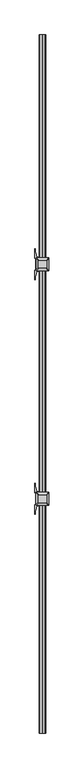
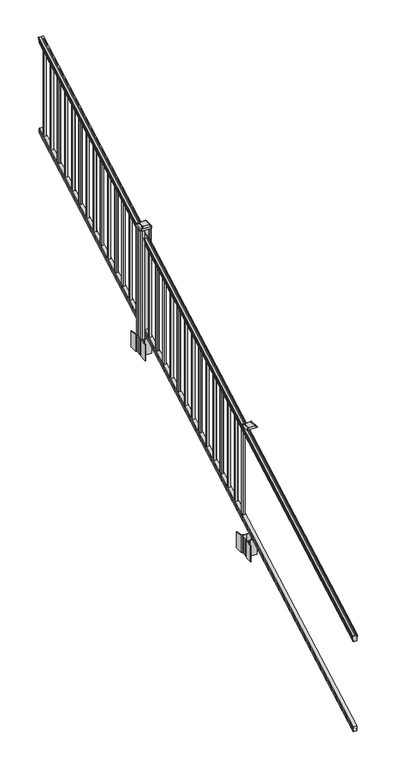
"""IFC4 building model written with IfcOpenShell, lengths in millimetres: railing geometry."""

from ifc_helpers import new_model, si_unit, point, frame, frame_2d, origin, place, context, project, spatial, polyline, circle_curve, ellipse_curve, trimmed, segment, composite_curve, outline, extrude, faceted_brep, source, transform, mapped, element, save
from ifc_brep_helpers import plane_surface, cylinder_surface, revolved_surface, extruded_surface, advanced_brep


def railing_8e16b8f9(model_context):
    return source(origin(), model_context, "Body", "SolidModel", [
        advanced_brep(
        [(7146.9130321, -7669.8194681, 1111.1933), (7146.9130321, -7669.8194681, 1113.3531886), (7148.0432184, -7669.8194681, 1115.140347), (7148.0432184, -7669.8194681, 1123.3974153), (7147.393962, -7669.8194681, 1126.1811654), (7149.893962, -7669.8194681, 1131.1346527), (7151.3033045, -7669.8194681, 1133.0560334), (7151.7052035, -7669.8194681, 1134.3198045), (7151.7052034, -7669.8194681, 1135.8530343), (7150.1517561, -7669.8194681, 1137.6301141), (7129.4802034, -7669.8194681, 1137.6301141), (7108.8086506, -7669.8194681, 1137.6301141), (7107.2552034, -7669.8194681, 1135.8530343), (7107.2552034, -7669.8194681, 1134.3198045), (7107.6571023, -7669.8194681, 1133.0560334), (7109.0664447, -7669.8194681, 1131.1346527), (7111.5664447, -7669.8194681, 1126.1811654), (7110.9171883, -7669.8194681, 1123.3974153), (7110.9171883, -7669.8194681, 1115.140347), (7112.0473746, -7669.8194681, 1113.3531886), (7112.0473746, -7669.8194681, 1111.1933), (7114.6212034, -7669.8194681, 1111.1933), (7114.6212034, -7669.8194681, 1099.182302), (7113.6052034, -7669.8194681, 1098.0200397), (7113.6052034, -7669.8194681, 1083.7333333), (7145.3552034, -7669.8194681, 1083.7333333), (7145.3552034, -7669.8194681, 1097.8395054), (7144.3392034, -7669.8194681, 1099.0017677), (7144.3392034, -7669.8194681, 1111.1933), (7146.9130321, -2793.0194681, 3820.5266334), (7144.3392034, -2793.0194681, 3820.5266334), (7144.3392034, -2793.0194681, 3808.335101), (7145.3552034, -2793.0194681, 3807.1728388), (7145.3552034, -2793.0194681, 3793.0666667), (7113.6052034, -2793.0194681, 3793.0666667), (7113.6052034, -2793.0194681, 3807.3533731), (7114.6212034, -2793.0194681, 3808.5156353), (7114.6212034, -2793.0194681, 3820.5266334), (7112.0473746, -2793.0194681, 3820.5266334), (7112.0473746, -2793.0194681, 3822.6865219), (7110.9171883, -2793.0194681, 3824.4736803), (7110.9171883, -2793.0194681, 3832.7307486), (7111.5664447, -2793.0194681, 3835.5144987), (7109.0664447, -2793.0194681, 3840.4679861), (7107.6571023, -2793.0194681, 3842.3893668), (7107.2552033, -2793.0194681, 3843.6531378), (7107.2552034, -2793.0194681, 3845.1863676), (7108.8086506, -2793.0194681, 3846.9634474), (7129.4802034, -2793.0194681, 3846.9634474), (7150.1517561, -2793.0194681, 3846.9634474), (7151.7052034, -2793.0194681, 3845.1863676), (7151.7052034, -2793.0194681, 3843.6531378), (7151.3033045, -2793.0194681, 3842.3893668), (7149.893962, -2793.0194681, 3840.4679861), (7147.393962, -2793.0194681, 3835.5144987), (7148.0432184, -2793.0194681, 3832.7307486), (7148.0432184, -2793.0194681, 3824.4736803), (7146.9130321, -2793.0194681, 3822.6865219)],
        [
            (0, 1),
            (1, 2, ellipse_curve(frame((7140.5982788, -7669.8194681, 1119.9403628), z_axis=(0.0, -1.0, 0.0), x_axis=(0.0, 0.0, -1.0)), 9.7762168, 8.545951)),
            (2, 3, ellipse_curve(frame((7141.0353418, -7669.8194681, 1119.2688811), z_axis=(0.0, -1.0, 0.0), x_axis=(0.0, 0.0, -1.0)), 9.0173521, 7.882584)),
            (3, 4, ellipse_curve(frame((7151.5486659, -7669.8194681, 1125.9582895), z_axis=(0.0, 1.0, 0.0), x_axis=(0.0, 0.0, 1.0)), 4.7580334, 4.1592695)),
            (4, 5, ellipse_curve(frame((7152.8359725, -7669.8194681, 1125.8892329), z_axis=(0.0, 1.0, 0.0), x_axis=(0.0, 0.0, 1.0)), 6.2322774, 5.4479907)),
            (5, 6, ellipse_curve(frame((7151.602814, -7669.8194681, 1131.1314345), z_axis=(0.0, 1.0, 0.0), x_axis=(0.0, 0.0, 1.0)), 1.9548591, 1.7088543)),
            (6, 7, ellipse_curve(frame((7149.9859139, -7669.8194681, 1134.3198045), z_axis=(0.0, -1.0, 0.0), x_axis=(0.0, 0.0, -1.0)), 1.9667965, 1.7192895)),
            (7, 8),
            (8, 9, ellipse_curve(frame((7150.1517561, -7669.8194681, 1135.8530343), z_axis=(0.0, -1.0, 0.0), x_axis=(0.0, 0.0, -1.0)), 1.7770798, 1.5534472)),
            (9, 10),
            (10, 11),
            (11, 12, ellipse_curve(frame((7108.8086506, -7669.8194681, 1135.8530343), z_axis=(0.0, -1.0, 0.0), x_axis=(0.0, 0.0, -1.0)), 1.7770798, 1.5534472)),
            (12, 13),
            (13, 14, ellipse_curve(frame((7108.9744928, -7669.8194681, 1134.3198045), z_axis=(0.0, -1.0, 0.0), x_axis=(0.0, 0.0, -1.0)), 1.9667965, 1.7192895)),
            (14, 15, ellipse_curve(frame((7107.3575927, -7669.8194681, 1131.1314345), z_axis=(0.0, 1.0, 0.0), x_axis=(0.0, 0.0, 1.0)), 1.9548591, 1.7088543)),
            (15, 16, ellipse_curve(frame((7106.1244343, -7669.8194681, 1125.8892329), z_axis=(0.0, 1.0, 0.0), x_axis=(0.0, 0.0, 1.0)), 6.2322774, 5.4479907)),
            (16, 17, ellipse_curve(frame((7107.4117408, -7669.8194681, 1125.9582895), z_axis=(0.0, 1.0, 0.0), x_axis=(0.0, 0.0, 1.0)), 4.7580334, 4.1592695)),
            (17, 18, ellipse_curve(frame((7117.925065, -7669.8194681, 1119.2688811), z_axis=(0.0, -1.0, 0.0), x_axis=(0.0, 0.0, -1.0)), 9.0173521, 7.882584)),
            (18, 19, ellipse_curve(frame((7118.3621279, -7669.8194681, 1119.9403628), z_axis=(0.0, -1.0, 0.0), x_axis=(0.0, 0.0, -1.0)), 9.7762168, 8.545951)),
            (19, 20),
            (20, 21, ellipse_curve(frame((7113.334289, -7669.8194681, 1111.1933), z_axis=(0.0, -1.0, 0.0), x_axis=(0.0, 0.0, -1.0)), 1.4721772, 1.2869144)),
            (21, 22),
            (22, 23),
            (23, 24),
            (24, 25),
            (25, 26),
            (26, 27),
            (27, 28),
            (28, 0, ellipse_curve(frame((7145.6261177, -7669.8194681, 1111.1933), z_axis=(0.0, -1.0, 0.0), x_axis=(0.0, 0.0, -1.0)), 1.4721772, 1.2869144)),
            (29, 30, ellipse_curve(frame((7145.6261177, -2793.0194681, 3820.5266334), z_axis=(0.0, 1.0, 0.0), x_axis=(0.0, 0.0, -1.0)), 1.4721772, 1.2869144)),
            (30, 31),
            (31, 32),
            (32, 33),
            (33, 34),
            (34, 35),
            (35, 36),
            (36, 37),
            (37, 38, ellipse_curve(frame((7113.334289, -2793.0194681, 3820.5266334), z_axis=(0.0, 1.0, 0.0), x_axis=(0.0, 0.0, -1.0)), 1.4721772, 1.2869144)),
            (38, 39),
            (39, 40, ellipse_curve(frame((7118.3621279, -2793.0194681, 3829.2736961), z_axis=(0.0, 1.0, 0.0), x_axis=(0.0, 0.0, -1.0)), 9.7762168, 8.545951)),
            (40, 41, ellipse_curve(frame((7117.925065, -2793.0194681, 3828.6022145), z_axis=(0.0, 1.0, 0.0), x_axis=(0.0, 0.0, -1.0)), 9.0173521, 7.882584)),
            (41, 42, ellipse_curve(frame((7107.4117408, -2793.0194681, 3835.2916228), z_axis=(0.0, -1.0, 0.0), x_axis=(0.0, 0.0, 1.0)), 4.7580334, 4.1592695)),
            (42, 43, ellipse_curve(frame((7106.1244343, -2793.0194681, 3835.2225663), z_axis=(0.0, -1.0, 0.0), x_axis=(0.0, 0.0, 1.0)), 6.2322774, 5.4479907)),
            (43, 44, ellipse_curve(frame((7107.3575927, -2793.0194681, 3840.4647678), z_axis=(0.0, -1.0, 0.0), x_axis=(0.0, 0.0, 1.0)), 1.9548591, 1.7088543)),
            (44, 45, ellipse_curve(frame((7108.9744928, -2793.0194681, 3843.6531378), z_axis=(0.0, 1.0, 0.0), x_axis=(0.0, 0.0, -1.0)), 1.9667965, 1.7192895)),
            (45, 46),
            (46, 47, ellipse_curve(frame((7108.8086506, -2793.0194681, 3845.1863676), z_axis=(0.0, 1.0, 0.0), x_axis=(0.0, 0.0, -1.0)), 1.7770798, 1.5534472)),
            (47, 48),
            (48, 49),
            (49, 50, ellipse_curve(frame((7150.1517561, -2793.0194681, 3845.1863676), z_axis=(0.0, 1.0, 0.0), x_axis=(0.0, 0.0, -1.0)), 1.7770798, 1.5534472)),
            (50, 51),
            (51, 52, ellipse_curve(frame((7149.9859139, -2793.0194681, 3843.6531378), z_axis=(0.0, 1.0, 0.0), x_axis=(0.0, 0.0, -1.0)), 1.9667965, 1.7192895)),
            (52, 53, ellipse_curve(frame((7151.602814, -2793.0194681, 3840.4647678), z_axis=(0.0, -1.0, 0.0), x_axis=(0.0, 0.0, 1.0)), 1.9548591, 1.7088543)),
            (53, 54, ellipse_curve(frame((7152.8359725, -2793.0194681, 3835.2225663), z_axis=(0.0, -1.0, 0.0), x_axis=(0.0, 0.0, 1.0)), 6.2322774, 5.4479907)),
            (54, 55, ellipse_curve(frame((7151.5486659, -2793.0194681, 3835.2916228), z_axis=(0.0, -1.0, 0.0), x_axis=(0.0, 0.0, 1.0)), 4.7580334, 4.1592695)),
            (55, 56, ellipse_curve(frame((7141.0353418, -2793.0194681, 3828.6022145), z_axis=(0.0, 1.0, 0.0), x_axis=(0.0, 0.0, -1.0)), 9.0173521, 7.882584)),
            (56, 57, ellipse_curve(frame((7140.5982788, -2793.0194681, 3829.2736961), z_axis=(0.0, 1.0, 0.0), x_axis=(0.0, 0.0, -1.0)), 9.7762168, 8.545951)),
            (57, 29),
            (28, 30),
            (29, 0),
            (27, 31),
            (26, 32),
            (25, 33),
            (24, 34),
            (23, 35),
            (22, 36),
            (21, 37),
            (20, 38),
            (19, 39),
            (18, 40),
            (17, 41),
            (16, 42),
            (15, 43),
            (14, 44),
            (13, 45),
            (12, 46),
            (11, 47),
            (10, 48),
            (9, 49),
            (8, 50),
            (7, 51),
            (6, 52),
            (5, 53),
            (4, 54),
            (3, 55),
            (2, 56),
            (1, 57),
        ],
        [
            plane_surface(frame((7129.4802034, -7669.8194681, 1083.7333333), z_axis=(0.0, -1.0, 0.0), x_axis=(0.0, 0.0, 1.0))),
            plane_surface(frame((7129.4802034, -2793.0194681, 3793.0666667), z_axis=(0.0, 1.0, 0.0), x_axis=(0.0, 0.0, 1.0))),
            cylinder_surface(frame((7145.6261177, -7681.4770011, 1104.7168928), z_axis=(0.0, -0.87415727612157, -0.4856429311785742), x_axis=(-1.0, 0.0, 0.0)), 1.2869144),
            plane_surface(frame((7144.3392034, -7669.8194681, 1099.0017677), z_axis=(1.0, 0.0, 0.0), x_axis=(0.0, 0.87415727612157, 0.4856429311785742))),
            plane_surface(frame((7145.3552034, -7669.8194681, 1097.8395054), z_axis=(0.707106781186539, -0.34340140987168666, 0.6181225377691305), x_axis=(0.0, 0.87415727612157, 0.4856429311785742))),
            plane_surface(frame((7145.3552034, -7669.8194681, 1083.7333333), z_axis=(1.0, 0.0, 0.0), x_axis=(0.0, 0.87415727612157, 0.4856429311785742))),
            plane_surface(frame((7113.6052034, -7669.8194681, 1083.7333333), z_axis=(0.0, 0.4856429311785742, -0.87415727612157), x_axis=(0.0, 0.87415727612157, 0.4856429311785742))),
            plane_surface(frame((7113.6052034, -7669.8194681, 1098.0200397), z_axis=(-1.0, 0.0, 0.0), x_axis=(0.0, 0.87415727612157, 0.4856429311785742))),
            plane_surface(frame((7114.6212034, -7669.8194681, 1099.182302), z_axis=(-0.7071067811865438, -0.3434014098716826, 0.6181225377691271), x_axis=(0.0, 0.87415727612157, 0.4856429311785742))),
            plane_surface(frame((7114.6212034, -7669.8194681, 1111.1933), z_axis=(-1.0, 0.0, 0.0), x_axis=(0.0, 0.87415727612157, 0.4856429311785742))),
            cylinder_surface(frame((7113.334289, -7681.4770011, 1104.7168928), z_axis=(0.0, -0.87415727612157, -0.4856429311785742), x_axis=(1.0, 0.0, 0.0)), 1.2869144),
            plane_surface(frame((7112.0473746, -7669.8194681, 1113.3531886), z_axis=(-1.0, 0.0, 0.0), x_axis=(0.0, 0.87415727612157, 0.4856429311785742))),
            cylinder_surface(frame((7118.3621279, -7685.1903768, 1111.4009691), z_axis=(0.0, -0.87415727612157, -0.4856429311785742), x_axis=(1.0, 0.0, 0.0)), 8.545951),
            cylinder_surface(frame((7117.925065, -7684.9053139, 1110.8878557), z_axis=(0.0, -0.87415727612157, -0.4856429311785742), x_axis=(1.0, 0.0, 0.0)), 7.882584),
            revolved_surface(polyline([(7111.5710103, -2790.9995482554805, 3836.413800479864), (7111.5710103, -7671.839387920754, 1124.8361117773575)]), (7107.4117408, -7687.745157, 1115.9995734), (0.0, 0.87415727612157, 0.4856429311785742)),
            revolved_surface(polyline([(7111.572425, -2790.373689958309, 3836.692443044959), (7111.572425, -7672.46524626981, 1124.4193562056594)]), (7106.1244343, -7687.7158406, 1115.9468038), (0.0, 0.87415727612157, 0.4856429311785742)),
            revolved_surface(polyline([(7109.066447, -2792.1895750762333, 3840.925819457224), (7109.066447, -7670.649361090565, 1130.6703827830174)]), (7107.3575927, -7689.9413035, 1119.952637), (0.0, 0.87415727612157, 0.4856429311785742)),
            cylinder_surface(frame((7108.9744928, -7691.2948568, 1122.389033), z_axis=(0.0, -0.87415727612157, -0.4856429311785742), x_axis=(1.0, 0.0, 0.0)), 1.7192895),
            plane_surface(frame((7107.2552034, -7669.8194681, 1135.8530343), z_axis=(-1.0, 0.0, 0.0), x_axis=(0.0, 0.87415727612157, 0.4856429311785742))),
            cylinder_surface(frame((7108.8086506, -7691.9457562, 1123.560652), z_axis=(0.0, -0.87415727612157, -0.4856429311785742), x_axis=(1.0, 0.0, 0.0)), 1.5534472),
            plane_surface(frame((7129.4802034, -7669.8194681, 1137.6301141), z_axis=(0.0, -0.4856429311785742, 0.87415727612157), x_axis=(0.0, 0.87415727612157, 0.4856429311785742))),
            plane_surface(frame((7150.1517561, -7669.8194681, 1137.6301141), z_axis=(0.0, -0.4856429311785742, 0.87415727612157), x_axis=(0.0, 0.87415727612157, 0.4856429311785742))),
            cylinder_surface(frame((7150.1517561, -7691.9457562, 1123.560652), z_axis=(0.0, -0.87415727612157, -0.4856429311785742), x_axis=(-1.0, 0.0, 0.0)), 1.5534472),
            plane_surface(frame((7151.7052034, -7669.8194681, 1134.3198045), z_axis=(1.0, 0.0, 0.0), x_axis=(0.0, 0.87415727612157, 0.4856429311785741))),
            cylinder_surface(frame((7149.9859139, -7691.2948568, 1122.389033), z_axis=(0.0, -0.87415727612157, -0.4856429311785742), x_axis=(-1.0, 0.0, 0.0)), 1.7192895),
            revolved_surface(polyline([(7149.8939597, -2792.1895750762333, 3840.925819457224), (7149.8939597, -7670.649361090565, 1130.6703827830174)]), (7151.602814, -7689.9413035, 1119.952637), (0.0, 0.87415727612157, 0.4856429311785742)),
            revolved_surface(polyline([(7147.3879818, -2790.373689958309, 3836.692443044959), (7147.3879818, -7672.46524626981, 1124.4193562056594)]), (7152.8359725, -7687.7158406, 1115.9468038), (0.0, 0.87415727612157, 0.4856429311785742)),
            revolved_surface(polyline([(7147.3893964, -2790.9995482554805, 3836.413800479864), (7147.3893964, -7671.839387920754, 1124.8361117773575)]), (7151.5486659, -7687.745157, 1115.9995734), (0.0, 0.87415727612157, 0.4856429311785742)),
            cylinder_surface(frame((7141.0353418, -7684.9053139, 1110.8878557), z_axis=(0.0, -0.87415727612157, -0.4856429311785742), x_axis=(-1.0, 0.0, 0.0)), 7.882584),
            cylinder_surface(frame((7140.5982788, -7685.1903768, 1111.4009691), z_axis=(0.0, -0.87415727612157, -0.4856429311785742), x_axis=(-1.0, 0.0, 0.0)), 8.545951),
            plane_surface(frame((7146.9130321, -7669.8194681, 1111.1933), z_axis=(1.0, 0.0, 0.0), x_axis=(0.0, 0.87415727612157, 0.4856429311785742))),
        ],
        [
            (0, [[1, 2, 3, 4, 5, 6, 7, 8, 9, 10, 11, 12, 13, 14, 15, 16, 17, 18, 19, 20, 21, 22, 23, 24, 25, 26, 27, 28, 29]]),
            (1, [[30, 31, 32, 33, 34, 35, 36, 37, 38, 39, 40, 41, 42, 43, 44, 45, 46, 47, 48, 49, 50, 51, 52, 53, 54, 55, 56, 57, 58]]),
            (2, [[-29, 59, -30, 60]]),
            (3, [[-28, 61, -31, -59]]),
            (4, [[-27, 62, -32, -61]]),
            (5, [[-26, 63, -33, -62]]),
            (6, [[-25, 64, -34, -63]]),
            (7, [[-24, 65, -35, -64]]),
            (8, [[-23, 66, -36, -65]]),
            (9, [[-22, 67, -37, -66]]),
            (10, [[-21, 68, -38, -67]]),
            (11, [[-20, 69, -39, -68]]),
            (12, [[-19, 70, -40, -69]]),
            (13, [[-18, 71, -41, -70]]),
            (14, [[-17, 72, -42, -71]]),
            (15, [[-16, 73, -43, -72]]),
            (16, [[-15, 74, -44, -73]]),
            (17, [[-14, 75, -45, -74]]),
            (18, [[-13, 76, -46, -75]]),
            (19, [[-12, 77, -47, -76]]),
            (20, [[-11, 78, -48, -77]]),
            (21, [[-10, 79, -49, -78]]),
            (22, [[-9, 80, -50, -79]]),
            (23, [[-8, 81, -51, -80]]),
            (24, [[-7, 82, -52, -81]]),
            (25, [[-6, 83, -53, -82]]),
            (26, [[-5, 84, -54, -83]]),
            (27, [[-4, 85, -55, -84]]),
            (28, [[-3, 86, -56, -85]]),
            (29, [[-2, 87, -57, -86]]),
            (30, [[-1, -60, -58, -87]]),
        ],
    ),
        faceted_brep([(7145.3926903, -7669.8194681, 247.1948195), (7144.3766903, -7669.8194681, 248.6824473), (7144.3766903, -7669.8194681, 260.5333506), (7145.3926903, -7669.8194681, 262.0757247), (7145.3926903, -7669.8194681, 276.4134523), (7113.6426903, -7669.8194681, 276.4134523), (7113.6426903, -7669.8194681, 262.0566814), (7114.6586903, -7669.8194681, 260.5143074), (7114.6586903, -7669.8194681, 248.7181503), (7113.6426903, -7669.8194681, 247.1757762), (7113.6426903, -7669.8194681, 232.8333333), (7145.3926903, -7669.8194681, 232.8333333), (7145.3926903, -2793.0194681, 2956.5281528), (7145.3926903, -2793.0194681, 2942.1666667), (7113.6426903, -2793.0194681, 2942.1666667), (7113.6426903, -2793.0194681, 2956.5091096), (7114.6586903, -2793.0194681, 2958.0514837), (7114.6586903, -2793.0194681, 2969.8476407), (7113.6426903, -2793.0194681, 2971.3900148), (7113.6426903, -2793.0194681, 2985.7467856), (7145.3926903, -2793.0194681, 2985.7467856), (7145.3926903, -2793.0194681, 2971.409058), (7144.3766903, -2793.0194681, 2969.8666839), (7144.3766903, -2793.0194681, 2958.0157807)], [[[0, 1, 2, 3, 4, 5, 6, 7, 8, 9, 10, 11]], [[12, 13, 14, 15, 16, 17, 18, 19, 20, 21, 22, 23]], [[0, 11, 13, 12]], [[11, 10, 14, 13]], [[10, 9, 15, 14]], [[9, 8, 16, 15]], [[8, 7, 17, 16]], [[7, 6, 18, 17]], [[6, 5, 19, 18]], [[5, 4, 20, 19]], [[4, 3, 21, 20]], [[3, 2, 22, 21]], [[2, 1, 23, 22]], [[1, 0, 12, 23]]]),
        extrude(outline(polyline([(7139.0052034, -2862.9964681), (7119.9552034, -2862.9964681), (7119.9552034, -2843.9464681), (7139.0052034, -2843.9464681), (7139.0052034, -2862.9964681)]), holes=[polyline([(7138.6083284, -2862.5995931), (7138.6083284, -2844.3433431), (7120.3520784, -2844.3433431), (7120.3520784, -2862.5995931), (7138.6083284, -2862.5995931)])]), frame((0.0, 0.0, 2946.6781003), z_axis=(0.0, 0.0, 1.0), x_axis=(1.0, 0.0, 0.0)), (0.0, 0.0, 1.0), 812.8041219),
        extrude(outline(polyline([(7139.0052034, -2974.2484681), (7119.9552034, -2974.2484681), (7119.9552034, -2955.1984681), (7139.0052034, -2955.1984681), (7139.0052034, -2974.2484681)]), holes=[polyline([(7138.6083284, -2973.8515931), (7138.6083284, -2955.5953431), (7120.3520784, -2955.5953431), (7120.3520784, -2973.8515931), (7138.6083284, -2973.8515931)])]), frame((0.0, 0.0, 2884.8714336), z_axis=(0.0, 0.0, 1.0), x_axis=(1.0, 0.0, 0.0)), (0.0, 0.0, 1.0), 812.8041219),
        extrude(outline(polyline([(7139.0052034, -3085.5004681), (7119.9552034, -3085.5004681), (7119.9552034, -3066.4504681), (7139.0052034, -3066.4504681), (7139.0052034, -3085.5004681)]), holes=[polyline([(7138.6083284, -3085.1035931), (7138.6083284, -3066.8473431), (7120.3520784, -3066.8473431), (7120.3520784, -3085.1035931), (7138.6083284, -3085.1035931)])]), frame((0.0, 0.0, 2823.064767), z_axis=(0.0, 0.0, 1.0), x_axis=(1.0, 0.0, 0.0)), (0.0, 0.0, 1.0), 812.8041219),
        extrude(outline(polyline([(7139.0052034, -3196.7524681), (7119.9552034, -3196.7524681), (7119.9552034, -3177.7024681), (7139.0052034, -3177.7024681), (7139.0052034, -3196.7524681)]), holes=[polyline([(7138.6083284, -3196.3555931), (7138.6083284, -3178.0993431), (7120.3520784, -3178.0993431), (7120.3520784, -3196.3555931), (7138.6083284, -3196.3555931)])]), frame((0.0, 0.0, 2761.2581003), z_axis=(0.0, 0.0, 1.0), x_axis=(1.0, 0.0, 0.0)), (0.0, 0.0, 1.0), 812.8041219),
        extrude(outline(polyline([(7139.0052034, -3308.0044681), (7119.9552034, -3308.0044681), (7119.9552034, -3288.9544681), (7139.0052034, -3288.9544681), (7139.0052034, -3308.0044681)]), holes=[polyline([(7138.6083284, -3307.6075931), (7138.6083284, -3289.3513431), (7120.3520784, -3289.3513431), (7120.3520784, -3307.6075931), (7138.6083284, -3307.6075931)])]), frame((0.0, 0.0, 2699.4514336), z_axis=(0.0, 0.0, 1.0), x_axis=(1.0, 0.0, 0.0)), (0.0, 0.0, 1.0), 812.8041219),
        extrude(outline(polyline([(7139.0052034, -3419.2564681), (7119.9552034, -3419.2564681), (7119.9552034, -3400.2064681), (7139.0052034, -3400.2064681), (7139.0052034, -3419.2564681)]), holes=[polyline([(7138.6083284, -3418.8595931), (7138.6083284, -3400.6033431), (7120.3520784, -3400.6033431), (7120.3520784, -3418.8595931), (7138.6083284, -3418.8595931)])]), frame((0.0, 0.0, 2637.644767), z_axis=(0.0, 0.0, 1.0), x_axis=(1.0, 0.0, 0.0)), (0.0, 0.0, 1.0), 812.8041219),
        extrude(outline(polyline([(7139.0052034, -3530.5084681), (7119.9552034, -3530.5084681), (7119.9552034, -3511.4584681), (7139.0052034, -3511.4584681), (7139.0052034, -3530.5084681)]), holes=[polyline([(7138.6083284, -3530.1115931), (7138.6083284, -3511.8553431), (7120.3520784, -3511.8553431), (7120.3520784, -3530.1115931), (7138.6083284, -3530.1115931)])]), frame((0.0, 0.0, 2575.8381003), z_axis=(0.0, 0.0, 1.0), x_axis=(1.0, 0.0, 0.0)), (0.0, 0.0, 1.0), 812.8041219),
        extrude(outline(polyline([(7139.0052034, -3641.7604681), (7119.9552034, -3641.7604681), (7119.9552034, -3622.7104681), (7139.0052034, -3622.7104681), (7139.0052034, -3641.7604681)]), holes=[polyline([(7138.6083284, -3641.3635931), (7138.6083284, -3623.1073431), (7120.3520784, -3623.1073431), (7120.3520784, -3641.3635931), (7138.6083284, -3641.3635931)])]), frame((0.0, 0.0, 2514.0314336), z_axis=(0.0, 0.0, 1.0), x_axis=(1.0, 0.0, 0.0)), (0.0, 0.0, 1.0), 812.8041219),
        extrude(outline(polyline([(7139.0052034, -3753.0124681), (7119.9552034, -3753.0124681), (7119.9552034, -3733.9624681), (7139.0052034, -3733.9624681), (7139.0052034, -3753.0124681)]), holes=[polyline([(7138.6083284, -3752.6155931), (7138.6083284, -3734.3593431), (7120.3520784, -3734.3593431), (7120.3520784, -3752.6155931), (7138.6083284, -3752.6155931)])]), frame((0.0, 0.0, 2452.224767), z_axis=(0.0, 0.0, 1.0), x_axis=(1.0, 0.0, 0.0)), (0.0, 0.0, 1.0), 812.8041219),
        extrude(outline(polyline([(7139.0052034, -3864.2644681), (7119.9552034, -3864.2644681), (7119.9552034, -3845.2144681), (7139.0052034, -3845.2144681), (7139.0052034, -3864.2644681)]), holes=[polyline([(7138.6083284, -3863.8675931), (7138.6083284, -3845.6113431), (7120.3520784, -3845.6113431), (7120.3520784, -3863.8675931), (7138.6083284, -3863.8675931)])]), frame((0.0, 0.0, 2390.4181003), z_axis=(0.0, 0.0, 1.0), x_axis=(1.0, 0.0, 0.0)), (0.0, 0.0, 1.0), 812.8041219),
        extrude(outline(polyline([(7139.0052034, -3975.5164681), (7119.9552034, -3975.5164681), (7119.9552034, -3956.4664681), (7139.0052034, -3956.4664681), (7139.0052034, -3975.5164681)]), holes=[polyline([(7138.6083284, -3975.1195931), (7138.6083284, -3956.8633431), (7120.3520784, -3956.8633431), (7120.3520784, -3975.1195931), (7138.6083284, -3975.1195931)])]), frame((0.0, 0.0, 2328.6114336), z_axis=(0.0, 0.0, 1.0), x_axis=(1.0, 0.0, 0.0)), (0.0, 0.0, 1.0), 812.8041219),
        extrude(outline(polyline([(7139.0052034, -4086.7684681), (7119.9552034, -4086.7684681), (7119.9552034, -4067.7184681), (7139.0052034, -4067.7184681), (7139.0052034, -4086.7684681)]), holes=[polyline([(7138.6083284, -4086.3715931), (7138.6083284, -4068.1153431), (7120.3520784, -4068.1153431), (7120.3520784, -4086.3715931), (7138.6083284, -4086.3715931)])]), frame((0.0, 0.0, 2266.804767), z_axis=(0.0, 0.0, 1.0), x_axis=(1.0, 0.0, 0.0)), (0.0, 0.0, 1.0), 812.8041219),
        extrude(outline(polyline([(7139.0052034, -4198.0204681), (7119.9552034, -4198.0204681), (7119.9552034, -4178.9704681), (7139.0052034, -4178.9704681), (7139.0052034, -4198.0204681)]), holes=[polyline([(7138.6083284, -4197.6235931), (7138.6083284, -4179.3673431), (7120.3520784, -4179.3673431), (7120.3520784, -4197.6235931), (7138.6083284, -4197.6235931)])]), frame((0.0, 0.0, 2204.9981003), z_axis=(0.0, 0.0, 1.0), x_axis=(1.0, 0.0, 0.0)), (0.0, 0.0, 1.0), 812.8041219),
        extrude(outline(polyline([(7139.0052034, -4309.2724681), (7119.9552034, -4309.2724681), (7119.9552034, -4290.2224681), (7139.0052034, -4290.2224681), (7139.0052034, -4309.2724681)]), holes=[polyline([(7138.6083284, -4308.8755931), (7138.6083284, -4290.6193431), (7120.3520784, -4290.6193431), (7120.3520784, -4308.8755931), (7138.6083284, -4308.8755931)])]), frame((0.0, 0.0, 2143.1914336), z_axis=(0.0, 0.0, 1.0), x_axis=(1.0, 0.0, 0.0)), (0.0, 0.0, 1.0), 812.8041219),
        extrude(outline(composite_curve([segment(polyline([(7172.2157034, -4412.637563), (7173.8032034, -4413.399563), (7173.8032034, -4436.201491), (7170.4302263, -4439.5744681), (7108.9705555, -4439.5744681), (7108.9705555, -4440.4952181), (7103.6530117, -4440.4952181), (7103.6530117, -4441.9494728), (7098.568482, -4441.9494728), (7098.568482, -4443.2334966), (7096.9012097, -4443.2334966)]), True, "CONTINUOUS"), segment(trimmed(circle_curve(frame_2d((7096.9012097, -4450.2929565)), 7.0594599), [point((7096.9012097, -4443.2334966))], [point((7090.1339468, -4448.2829498))], True, "CARTESIAN"), True, "CONTINUOUS"), segment(polyline([(7090.1339468, -4448.2829498), (7082.2597526, -4474.7936789)]), True, "CONTINUOUS"), segment(trimmed(circle_curve(frame_2d((7137.0442659, -4491.0657285)), 57.15), [point((7082.2597526, -4474.7936789))], [point((7079.8942659, -4491.0657285))], True, "CARTESIAN"), True, "CONTINUOUS"), segment(polyline([(7079.8942659, -4491.0657285), (7079.8942659, -4503.0744681), (7076.8942659, -4503.0744681), (7076.8942659, -4437.9869681), (7085.1572034, -4426.6486768), (7085.1572034, -4413.399563), (7086.7447034, -4412.637563), (7086.7447034, -4377.8653732), (7085.1572034, -4377.1033732), (7085.1572034, -4363.8542594), (7076.8942659, -4352.5159681), (7076.8942659, -4287.4284681), (7079.8942659, -4287.4284681), (7079.8942659, -4299.4372076)]), True, "CONTINUOUS"), segment(trimmed(circle_curve(frame_2d((7137.0442659, -4299.4372076)), 57.15), [point((7079.8942659, -4299.4372076))], [point((7082.2597526, -4315.7092573))], True, "CARTESIAN"), True, "CONTINUOUS"), segment(polyline([(7082.2597526, -4315.7092573), (7090.1339468, -4342.2199864)]), True, "CONTINUOUS"), segment(trimmed(circle_curve(frame_2d((7096.9012097, -4340.2099797)), 7.0594599), [point((7090.1339468, -4342.2199864))], [point((7096.9012097, -4347.2694396))], True, "CARTESIAN"), True, "CONTINUOUS"), segment(polyline([(7096.9012097, -4347.2694396), (7098.568482, -4347.2694396), (7098.568482, -4348.5534634), (7103.6530117, -4348.5534634), (7103.6530117, -4350.0077181), (7108.9705555, -4350.0077181), (7108.9705555, -4350.9284681), (7170.4302263, -4350.9284681), (7173.8032034, -4354.3014452), (7173.8032034, -4377.1033732), (7172.2157034, -4377.8653732), (7172.2157034, -4412.637563)]), True, "CONTINUOUS")], self_intersect=False), holes=[polyline([(7088.2052034, -4355.5639681), (7088.2052034, -4434.9389681), (7089.7927034, -4436.5264681), (7126.716986, -4436.5264681), (7169.1677034, -4436.5264681), (7170.7552034, -4434.9389681), (7170.7552034, -4355.5639681), (7169.1677034, -4353.9764681), (7126.716986, -4353.9764681), (7089.7927034, -4353.9764681), (7088.2052034, -4355.5639681)])]), frame((0.0, 0.0, 1836.1377778), z_axis=(0.0, 0.0, 1.0), x_axis=(1.0, 0.0, 0.0)), (0.0, 0.0, 1.0), 152.4),
        advanced_brep(
        [(7103.6833284, -4424.2233431, 3048.4770408), (7155.2770784, -4424.2233431, 3048.4770408), (7158.4520784, -4421.0483431, 3048.4770408), (7158.4520784, -4369.4545931, 3048.4770408), (7155.2770784, -4366.2795931, 3048.4770408), (7103.6833284, -4366.2795931, 3048.4770408), (7100.5083284, -4369.4545931, 3048.4770408), (7100.5083284, -4421.0483431, 3048.4770408), (7087.4114534, -4440.4952181, 3037.1740408), (7084.2364534, -4437.3202181, 3037.1740408), (7084.2364534, -4353.1827181, 3037.1740408), (7087.4114534, -4350.0077181, 3037.1740408), (7171.5489534, -4350.0077181, 3037.1740408), (7174.7239534, -4353.1827181, 3037.1740408), (7174.7239534, -4437.3202181, 3037.1740408), (7171.5489534, -4440.4952181, 3037.1740408)],
        [
            (0, 1),
            (1, 2, circle_curve(frame((7155.2770784, -4421.0483431, 3048.4770408), z_axis=(0.0, 0.0, 1.0), x_axis=(0.0, 1.0, 0.0)), 3.175)),
            (2, 3),
            (3, 4, circle_curve(frame((7155.2770784, -4369.4545931, 3048.4770408), z_axis=(0.0, 0.0, 1.0), x_axis=(0.0, 1.0, 0.0)), 3.175)),
            (4, 5),
            (5, 6, circle_curve(frame((7103.6833284, -4369.4545931, 3048.4770408), z_axis=(0.0, 0.0, 1.0), x_axis=(0.0, 1.0, 0.0)), 3.175)),
            (6, 7),
            (7, 0, circle_curve(frame((7103.6833284, -4421.0483431, 3048.4770408), z_axis=(0.0, 0.0, 1.0), x_axis=(0.0, 1.0, 0.0)), 3.175)),
            (8, 9, circle_curve(frame((7087.4114534, -4437.3202181, 3037.1740408), z_axis=(0.0, 0.0, -1.0), x_axis=(0.0, 1.0, 0.0)), 3.175)),
            (9, 10),
            (10, 11, circle_curve(frame((7087.4114534, -4353.1827181, 3037.1740408), z_axis=(0.0, 0.0, -1.0), x_axis=(0.0, 1.0, 0.0)), 3.175)),
            (11, 12),
            (12, 13, circle_curve(frame((7171.5489534, -4353.1827181, 3037.1740408), z_axis=(0.0, 0.0, -1.0), x_axis=(0.0, 1.0, 0.0)), 3.175)),
            (13, 14),
            (14, 15, circle_curve(frame((7171.5489534, -4437.3202181, 3037.1740408), z_axis=(0.0, 0.0, -1.0), x_axis=(0.0, 1.0, 0.0)), 3.175)),
            (15, 8),
            (8, 0),
            (7, 9),
            (6, 10),
            (5, 11),
            (4, 12),
            (3, 13),
            (2, 14),
            (1, 15),
        ],
        [
            plane_surface(frame((7129.4802034, -4395.2514681, 3048.4770408), z_axis=(0.0, 0.0, 1.0), x_axis=(-1.0, 0.0, 0.0))),
            plane_surface(frame((7129.4802034, -4395.2514681, 3037.1740408), z_axis=(0.0, 0.0, -1.0), x_axis=(-1.0, 0.0, 0.0))),
            extruded_surface(trimmed(circle_curve(frame((7103.6833284, -4421.0483431, 3048.4770408), z_axis=(0.0, 0.0, -1.0), x_axis=(0.0, 1.0, 0.0)), 3.175), [point((7103.6833284, -4424.2233431, 3048.4770408))], [point((7100.5083284, -4421.0483431, 3048.4770408))], True, "CARTESIAN"), (-16.271875000000364, -16.271874999999454, -11.302999999999884), 25.637972638865996),
            plane_surface(frame((7084.2364534, -4395.2514681, 3037.1740408), z_axis=(-0.5705009161540778, 0.0, 0.8212969649690408), x_axis=(0.0, 1.0, 0.0))),
            extruded_surface(trimmed(circle_curve(frame((7103.6833284, -4369.4545931, 3048.4770408), z_axis=(0.0, 0.0, -1.0), x_axis=(0.0, 1.0, 0.0)), 3.175), [point((7100.5083284, -4369.4545931, 3048.4770408))], [point((7103.6833284, -4366.2795931, 3048.4770408))], True, "CARTESIAN"), (-16.271875000000364, 16.271875000000364, -11.302999999999884), 25.63797263886657),
            plane_surface(frame((7129.4802034, -4350.0077181, 3037.1740408), z_axis=(0.0, 0.5705009161540291, 0.8212969649690747), x_axis=(1.0, 0.0, 0.0))),
            extruded_surface(trimmed(circle_curve(frame((7155.2770784, -4369.4545931, 3048.4770408), z_axis=(0.0, 0.0, -1.0), x_axis=(0.0, 1.0, 0.0)), 3.175), [point((7155.2770784, -4366.2795931, 3048.4770408))], [point((7158.4520784, -4369.4545931, 3048.4770408))], True, "CARTESIAN"), (16.271874999999454, 16.271875000000364, -11.302999999999884), 25.637972638865996),
            plane_surface(frame((7174.7239534, -4395.2514681, 3037.1740408), z_axis=(0.5705009161540142, 0.0, 0.8212969649690851), x_axis=(0.0, -1.0, 0.0))),
            extruded_surface(trimmed(circle_curve(frame((7155.2770784, -4421.0483431, 3048.4770408), z_axis=(0.0, 0.0, -1.0), x_axis=(0.0, 1.0, 0.0)), 3.175), [point((7158.4520784, -4421.0483431, 3048.4770408))], [point((7155.2770784, -4424.2233431, 3048.4770408))], True, "CARTESIAN"), (16.271874999999454, -16.271874999999454, -11.302999999999884), 25.63797263886542),
            plane_surface(frame((7129.4802034, -4440.4952181, 3037.1740408), z_axis=(0.0, -0.570500916154034, 0.8212969649690713), x_axis=(-1.0, 0.0, 0.0))),
        ],
        [
            (0, [[1, 2, 3, 4, 5, 6, 7, 8]]),
            (1, [[9, 10, 11, 12, 13, 14, 15, 16]]),
            (2, [[17, -8, 18, -9]]),
            (3, [[-18, -7, 19, -10]]),
            (4, [[-19, -6, 20, -11]]),
            (5, [[-20, -5, 21, -12]]),
            (6, [[-21, -4, 22, -13]]),
            (7, [[-22, -3, 23, -14]]),
            (8, [[-23, -2, 24, -15]]),
            (9, [[-24, -1, -17, -16]]),
        ],
    ),
        extrude(outline(composite_curve([segment(trimmed(circle_curve(frame_2d((7087.4114534, -4437.3202181)), 3.175), [point((7087.4114534, -4440.4952181))], [point((7084.2364534, -4437.3202181))], False, "CARTESIAN"), True, "CONTINUOUS"), segment(polyline([(7084.2364534, -4437.3202181), (7084.2364534, -4353.1827181)]), True, "CONTINUOUS"), segment(trimmed(circle_curve(frame_2d((7087.4114534, -4353.1827181)), 3.175), [point((7084.2364534, -4353.1827181))], [point((7087.4114534, -4350.0077181))], False, "CARTESIAN"), True, "CONTINUOUS"), segment(polyline([(7087.4114534, -4350.0077181), (7171.5489534, -4350.0077181)]), True, "CONTINUOUS"), segment(trimmed(circle_curve(frame_2d((7171.5489534, -4353.1827181)), 3.175), [point((7171.5489534, -4350.0077181))], [point((7174.7239534, -4353.1827181))], False, "CARTESIAN"), True, "CONTINUOUS"), segment(polyline([(7174.7239534, -4353.1827181), (7174.7239534, -4437.3202181)]), True, "CONTINUOUS"), segment(trimmed(circle_curve(frame_2d((7171.5489534, -4437.3202181)), 3.175), [point((7174.7239534, -4437.3202181))], [point((7171.5489534, -4440.4952181))], False, "CARTESIAN"), True, "CONTINUOUS"), segment(polyline([(7171.5489534, -4440.4952181), (7087.4114534, -4440.4952181)]), True, "CONTINUOUS")], self_intersect=False)), frame((0.0, 0.0, 3019.9020408), z_axis=(0.0, 0.0, 1.0), x_axis=(1.0, 0.0, 0.0)), (0.0, 0.0, 1.0), 17.272),
        extrude(outline(polyline([(7089.7927034, -4436.5264681), (7088.2052034, -4434.9389681), (7088.2052034, -4415.3174681), (7089.7927034, -4414.5554681), (7089.7927034, -4375.9474681), (7088.2052034, -4375.1854681), (7088.2052034, -4355.5639681), (7089.7927034, -4353.9764681), (7109.4142034, -4353.9764681), (7110.1762034, -4355.5639681), (7148.7842034, -4355.5639681), (7149.5462034, -4353.9764681), (7169.1677034, -4353.9764681), (7170.7552034, -4355.5639681), (7170.7552034, -4375.1854681), (7169.1677034, -4375.9474681), (7169.1677034, -4414.5554681), (7170.7552034, -4415.3174681), (7170.7552034, -4434.9389681), (7169.1677034, -4436.5264681), (7149.5462034, -4436.5264681), (7148.7842034, -4434.9389681), (7110.1762034, -4434.9389681), (7109.4142034, -4436.5264681), (7089.7927034, -4436.5264681)])), frame((0.0, 0.0, 1988.5377778), z_axis=(0.0, 0.0, 1.0), x_axis=(1.0, 0.0, 0.0)), (0.0, 0.0, 1.0), 1031.364263),
        extrude(outline(polyline([(7139.0052034, -4500.2804681), (7119.9552034, -4500.2804681), (7119.9552034, -4481.2304681), (7139.0052034, -4481.2304681), (7139.0052034, -4500.2804681)]), holes=[polyline([(7138.6083284, -4499.8835931), (7138.6083284, -4481.6273431), (7120.3520784, -4481.6273431), (7120.3520784, -4499.8835931), (7138.6083284, -4499.8835931)])]), frame((0.0, 0.0, 2037.0758781), z_axis=(0.0, 0.0, 1.0), x_axis=(1.0, 0.0, 0.0)), (0.0, 0.0, 1.0), 812.8041219),
        extrude(outline(polyline([(7139.0052034, -4611.5324681), (7119.9552034, -4611.5324681), (7119.9552034, -4592.4824681), (7139.0052034, -4592.4824681), (7139.0052034, -4611.5324681)]), holes=[polyline([(7138.6083284, -4611.1355931), (7138.6083284, -4592.8793431), (7120.3520784, -4592.8793431), (7120.3520784, -4611.1355931), (7138.6083284, -4611.1355931)])]), frame((0.0, 0.0, 1975.2692114), z_axis=(0.0, 0.0, 1.0), x_axis=(1.0, 0.0, 0.0)), (0.0, 0.0, 1.0), 812.8041219),
        extrude(outline(polyline([(7139.0052034, -4722.7844681), (7119.9552034, -4722.7844681), (7119.9552034, -4703.7344681), (7139.0052034, -4703.7344681), (7139.0052034, -4722.7844681)]), holes=[polyline([(7138.6083284, -4722.3875931), (7138.6083284, -4704.1313431), (7120.3520784, -4704.1313431), (7120.3520784, -4722.3875931), (7138.6083284, -4722.3875931)])]), frame((0.0, 0.0, 1913.4625447), z_axis=(0.0, 0.0, 1.0), x_axis=(1.0, 0.0, 0.0)), (0.0, 0.0, 1.0), 812.8041219),
        extrude(outline(polyline([(7139.0052034, -4834.0364681), (7119.9552034, -4834.0364681), (7119.9552034, -4814.9864681), (7139.0052034, -4814.9864681), (7139.0052034, -4834.0364681)]), holes=[polyline([(7138.6083284, -4833.6395931), (7138.6083284, -4815.3833431), (7120.3520784, -4815.3833431), (7120.3520784, -4833.6395931), (7138.6083284, -4833.6395931)])]), frame((0.0, 0.0, 1851.6558781), z_axis=(0.0, 0.0, 1.0), x_axis=(1.0, 0.0, 0.0)), (0.0, 0.0, 1.0), 812.8041219),
        extrude(outline(polyline([(7139.0052034, -4945.2884681), (7119.9552034, -4945.2884681), (7119.9552034, -4926.2384681), (7139.0052034, -4926.2384681), (7139.0052034, -4945.2884681)]), holes=[polyline([(7138.6083284, -4944.8915931), (7138.6083284, -4926.6353431), (7120.3520784, -4926.6353431), (7120.3520784, -4944.8915931), (7138.6083284, -4944.8915931)])]), frame((0.0, 0.0, 1789.8492114), z_axis=(0.0, 0.0, 1.0), x_axis=(1.0, 0.0, 0.0)), (0.0, 0.0, 1.0), 812.8041219),
        extrude(outline(polyline([(7139.0052034, -5056.5404681), (7119.9552034, -5056.5404681), (7119.9552034, -5037.4904681), (7139.0052034, -5037.4904681), (7139.0052034, -5056.5404681)]), holes=[polyline([(7138.6083284, -5056.1435931), (7138.6083284, -5037.8873431), (7120.3520784, -5037.8873431), (7120.3520784, -5056.1435931), (7138.6083284, -5056.1435931)])]), frame((0.0, 0.0, 1728.0425447), z_axis=(0.0, 0.0, 1.0), x_axis=(1.0, 0.0, 0.0)), (0.0, 0.0, 1.0), 812.8041219),
        extrude(outline(polyline([(7139.0052034, -5167.7924681), (7119.9552034, -5167.7924681), (7119.9552034, -5148.7424681), (7139.0052034, -5148.7424681), (7139.0052034, -5167.7924681)]), holes=[polyline([(7138.6083284, -5167.3955931), (7138.6083284, -5149.1393431), (7120.3520784, -5149.1393431), (7120.3520784, -5167.3955931), (7138.6083284, -5167.3955931)])]), frame((0.0, 0.0, 1666.2358781), z_axis=(0.0, 0.0, 1.0), x_axis=(1.0, 0.0, 0.0)), (0.0, 0.0, 1.0), 812.8041219),
        extrude(outline(polyline([(7139.0052034, -5279.0444681), (7119.9552034, -5279.0444681), (7119.9552034, -5259.9944681), (7139.0052034, -5259.9944681), (7139.0052034, -5279.0444681)]), holes=[polyline([(7138.6083284, -5278.6475931), (7138.6083284, -5260.3913431), (7120.3520784, -5260.3913431), (7120.3520784, -5278.6475931), (7138.6083284, -5278.6475931)])]), frame((0.0, 0.0, 1604.4292114), z_axis=(0.0, 0.0, 1.0), x_axis=(1.0, 0.0, 0.0)), (0.0, 0.0, 1.0), 812.8041219),
        extrude(outline(polyline([(7139.0052034, -5390.2964681), (7119.9552034, -5390.2964681), (7119.9552034, -5371.2464681), (7139.0052034, -5371.2464681), (7139.0052034, -5390.2964681)]), holes=[polyline([(7138.6083284, -5389.8995931), (7138.6083284, -5371.6433431), (7120.3520784, -5371.6433431), (7120.3520784, -5389.8995931), (7138.6083284, -5389.8995931)])]), frame((0.0, 0.0, 1542.6225447), z_axis=(0.0, 0.0, 1.0), x_axis=(1.0, 0.0, 0.0)), (0.0, 0.0, 1.0), 812.8041219),
        extrude(outline(polyline([(7139.0052034, -5501.5484681), (7119.9552034, -5501.5484681), (7119.9552034, -5482.4984681), (7139.0052034, -5482.4984681), (7139.0052034, -5501.5484681)]), holes=[polyline([(7138.6083284, -5501.1515931), (7138.6083284, -5482.8953431), (7120.3520784, -5482.8953431), (7120.3520784, -5501.1515931), (7138.6083284, -5501.1515931)])]), frame((0.0, 0.0, 1480.8158781), z_axis=(0.0, 0.0, 1.0), x_axis=(1.0, 0.0, 0.0)), (0.0, 0.0, 1.0), 812.8041219),
        extrude(outline(polyline([(7139.0052034, -5612.8004681), (7119.9552034, -5612.8004681), (7119.9552034, -5593.7504681), (7139.0052034, -5593.7504681), (7139.0052034, -5612.8004681)]), holes=[polyline([(7138.6083284, -5612.4035931), (7138.6083284, -5594.1473431), (7120.3520784, -5594.1473431), (7120.3520784, -5612.4035931), (7138.6083284, -5612.4035931)])]), frame((0.0, 0.0, 1419.0092114), z_axis=(0.0, 0.0, 1.0), x_axis=(1.0, 0.0, 0.0)), (0.0, 0.0, 1.0), 812.8041219),
        extrude(outline(polyline([(7139.0052034, -5724.0524681), (7119.9552034, -5724.0524681), (7119.9552034, -5705.0024681), (7139.0052034, -5705.0024681), (7139.0052034, -5724.0524681)]), holes=[polyline([(7138.6083284, -5723.6555931), (7138.6083284, -5705.3993431), (7120.3520784, -5705.3993431), (7120.3520784, -5723.6555931), (7138.6083284, -5723.6555931)])]), frame((0.0, 0.0, 1357.2025447), z_axis=(0.0, 0.0, 1.0), x_axis=(1.0, 0.0, 0.0)), (0.0, 0.0, 1.0), 812.8041219),
        extrude(outline(polyline([(7139.0052034, -5835.3044681), (7119.9552034, -5835.3044681), (7119.9552034, -5816.2544681), (7139.0052034, -5816.2544681), (7139.0052034, -5835.3044681)]), holes=[polyline([(7138.6083284, -5834.9075931), (7138.6083284, -5816.6513431), (7120.3520784, -5816.6513431), (7120.3520784, -5834.9075931), (7138.6083284, -5834.9075931)])]), frame((0.0, 0.0, 1295.3958781), z_axis=(0.0, 0.0, 1.0), x_axis=(1.0, 0.0, 0.0)), (0.0, 0.0, 1.0), 812.8041219),
        extrude(outline(polyline([(7139.0052034, -5946.5564681), (7119.9552034, -5946.5564681), (7119.9552034, -5927.5064681), (7139.0052034, -5927.5064681), (7139.0052034, -5946.5564681)]), holes=[polyline([(7138.6083284, -5946.1595931), (7138.6083284, -5927.9033431), (7120.3520784, -5927.9033431), (7120.3520784, -5946.1595931), (7138.6083284, -5946.1595931)])]), frame((0.0, 0.0, 1233.5892114), z_axis=(0.0, 0.0, 1.0), x_axis=(1.0, 0.0, 0.0)), (0.0, 0.0, 1.0), 812.8041219),
        extrude(outline(composite_curve([segment(polyline([(7172.2157034, -6049.921563), (7173.8032034, -6050.683563), (7173.8032034, -6073.485491), (7170.4302263, -6076.8584681), (7108.9705555, -6076.8584681), (7108.9705555, -6077.7792181), (7103.6530117, -6077.7792181), (7103.6530117, -6079.2334728), (7098.568482, -6079.2334728), (7098.568482, -6080.5174966), (7096.9012097, -6080.5174966)]), True, "CONTINUOUS"), segment(trimmed(circle_curve(frame_2d((7096.9012097, -6087.5769565)), 7.0594599), [point((7096.9012097, -6080.5174966))], [point((7090.1339468, -6085.5669498))], True, "CARTESIAN"), True, "CONTINUOUS"), segment(polyline([(7090.1339468, -6085.5669498), (7082.2597526, -6112.0776789)]), True, "CONTINUOUS"), segment(trimmed(circle_curve(frame_2d((7137.0442659, -6128.3497285)), 57.15), [point((7082.2597526, -6112.0776789))], [point((7079.8942659, -6128.3497285))], True, "CARTESIAN"), True, "CONTINUOUS"), segment(polyline([(7079.8942659, -6128.3497285), (7079.8942659, -6140.3584681), (7076.8942659, -6140.3584681), (7076.8942659, -6075.2709681), (7085.1572034, -6063.9326768), (7085.1572034, -6050.683563), (7086.7447034, -6049.921563), (7086.7447034, -6015.1493732), (7085.1572034, -6014.3873732), (7085.1572034, -6001.1382594), (7076.8942659, -5989.7999681), (7076.8942659, -5924.7124681), (7079.8942659, -5924.7124681), (7079.8942659, -5936.7212076)]), True, "CONTINUOUS"), segment(trimmed(circle_curve(frame_2d((7137.0442659, -5936.7212076)), 57.15), [point((7079.8942659, -5936.7212076))], [point((7082.2597526, -5952.9932573))], True, "CARTESIAN"), True, "CONTINUOUS"), segment(polyline([(7082.2597526, -5952.9932573), (7090.1339468, -5979.5039864)]), True, "CONTINUOUS"), segment(trimmed(circle_curve(frame_2d((7096.9012097, -5977.4939797)), 7.0594599), [point((7090.1339468, -5979.5039864))], [point((7096.9012097, -5984.5534396))], True, "CARTESIAN"), True, "CONTINUOUS"), segment(polyline([(7096.9012097, -5984.5534396), (7098.568482, -5984.5534396), (7098.568482, -5985.8374634), (7103.6530117, -5985.8374634), (7103.6530117, -5987.2917181), (7108.9705555, -5987.2917181), (7108.9705555, -5988.2124681), (7170.4302263, -5988.2124681), (7173.8032034, -5991.5854452), (7173.8032034, -6014.3873732), (7172.2157034, -6015.1493732), (7172.2157034, -6049.921563)]), True, "CONTINUOUS")], self_intersect=False), holes=[polyline([(7088.2052034, -5992.8479681), (7088.2052034, -6072.2229681), (7089.7927034, -6073.8104681), (7126.716986, -6073.8104681), (7169.1677034, -6073.8104681), (7170.7552034, -6072.2229681), (7170.7552034, -5992.8479681), (7169.1677034, -5991.2604681), (7126.716986, -5991.2604681), (7089.7927034, -5991.2604681), (7088.2052034, -5992.8479681)])]), frame((0.0, 0.0, 926.5355556), z_axis=(0.0, 0.0, 1.0), x_axis=(1.0, 0.0, 0.0)), (0.0, 0.0, 1.0), 152.4),
        advanced_brep(
        [(7103.6833284, -6061.5073431, 2138.8748186), (7155.2770784, -6061.5073431, 2138.8748186), (7158.4520784, -6058.3323431, 2138.8748186), (7158.4520784, -6006.7385931, 2138.8748186), (7155.2770784, -6003.5635931, 2138.8748186), (7103.6833284, -6003.5635931, 2138.8748186), (7100.5083284, -6006.7385931, 2138.8748186), (7100.5083284, -6058.3323431, 2138.8748186), (7087.4114534, -6077.7792181, 2127.5718186), (7084.2364534, -6074.6042181, 2127.5718186), (7084.2364534, -5990.4667181, 2127.5718186), (7087.4114534, -5987.2917181, 2127.5718186), (7171.5489534, -5987.2917181, 2127.5718186), (7174.7239534, -5990.4667181, 2127.5718186), (7174.7239534, -6074.6042181, 2127.5718186), (7171.5489534, -6077.7792181, 2127.5718186)],
        [
            (0, 1),
            (1, 2, circle_curve(frame((7155.2770784, -6058.3323431, 2138.8748186), z_axis=(0.0, 0.0, 1.0), x_axis=(0.0, 1.0, 0.0)), 3.175)),
            (2, 3),
            (3, 4, circle_curve(frame((7155.2770784, -6006.7385931, 2138.8748186), z_axis=(0.0, 0.0, 1.0), x_axis=(0.0, 1.0, 0.0)), 3.175)),
            (4, 5),
            (5, 6, circle_curve(frame((7103.6833284, -6006.7385931, 2138.8748186), z_axis=(0.0, 0.0, 1.0), x_axis=(0.0, 1.0, 0.0)), 3.175)),
            (6, 7),
            (7, 0, circle_curve(frame((7103.6833284, -6058.3323431, 2138.8748186), z_axis=(0.0, 0.0, 1.0), x_axis=(0.0, 1.0, 0.0)), 3.175)),
            (8, 9, circle_curve(frame((7087.4114534, -6074.6042181, 2127.5718186), z_axis=(0.0, 0.0, -1.0), x_axis=(0.0, 1.0, 0.0)), 3.175)),
            (9, 10),
            (10, 11, circle_curve(frame((7087.4114534, -5990.4667181, 2127.5718186), z_axis=(0.0, 0.0, -1.0), x_axis=(0.0, 1.0, 0.0)), 3.175)),
            (11, 12),
            (12, 13, circle_curve(frame((7171.5489534, -5990.4667181, 2127.5718186), z_axis=(0.0, 0.0, -1.0), x_axis=(0.0, 1.0, 0.0)), 3.175)),
            (13, 14),
            (14, 15, circle_curve(frame((7171.5489534, -6074.6042181, 2127.5718186), z_axis=(0.0, 0.0, -1.0), x_axis=(0.0, 1.0, 0.0)), 3.175)),
            (15, 8),
            (8, 0),
            (7, 9),
            (6, 10),
            (5, 11),
            (4, 12),
            (3, 13),
            (2, 14),
            (1, 15),
        ],
        [
            plane_surface(frame((7129.4802034, -6032.5354681, 2138.8748186), z_axis=(0.0, 0.0, 1.0), x_axis=(-1.0, 0.0, 0.0))),
            plane_surface(frame((7129.4802034, -6032.5354681, 2127.5718186), z_axis=(0.0, 0.0, -1.0), x_axis=(-1.0, 0.0, 0.0))),
            extruded_surface(trimmed(circle_curve(frame((7103.6833284, -6058.3323431, 2138.8748186), z_axis=(0.0, 0.0, -1.0), x_axis=(0.0, 1.0, 0.0)), 3.175), [point((7103.6833284, -6061.5073431, 2138.8748186))], [point((7100.5083284, -6058.3323431, 2138.8748186))], True, "CARTESIAN"), (-16.271875000000364, -16.271875000000364, -11.302999999999884), 25.63797263886657),
            plane_surface(frame((7084.2364534, -6032.5354681, 2127.5718186), z_axis=(-0.5705009161540778, 0.0, 0.8212969649690408), x_axis=(0.0, 1.0, 0.0))),
            extruded_surface(trimmed(circle_curve(frame((7103.6833284, -6006.7385931, 2138.8748186), z_axis=(0.0, 0.0, -1.0), x_axis=(0.0, 1.0, 0.0)), 3.175), [point((7100.5083284, -6006.7385931, 2138.8748186))], [point((7103.6833284, -6003.5635931, 2138.8748186))], True, "CARTESIAN"), (-16.271875000000364, 16.271874999999454, -11.302999999999884), 25.637972638865996),
            plane_surface(frame((7129.4802034, -5987.2917181, 2127.5718186), z_axis=(0.0, 0.5705009161540291, 0.8212969649690747), x_axis=(1.0, 0.0, 0.0))),
            extruded_surface(trimmed(circle_curve(frame((7155.2770784, -6006.7385931, 2138.8748186), z_axis=(0.0, 0.0, -1.0), x_axis=(0.0, 1.0, 0.0)), 3.175), [point((7155.2770784, -6003.5635931, 2138.8748186))], [point((7158.4520784, -6006.7385931, 2138.8748186))], True, "CARTESIAN"), (16.271874999999454, 16.271874999999454, -11.302999999999884), 25.63797263886542),
            plane_surface(frame((7174.7239534, -6032.5354681, 2127.5718186), z_axis=(0.5705009161540142, 0.0, 0.8212969649690851), x_axis=(0.0, -1.0, 0.0))),
            extruded_surface(trimmed(circle_curve(frame((7155.2770784, -6058.3323431, 2138.8748186), z_axis=(0.0, 0.0, -1.0), x_axis=(0.0, 1.0, 0.0)), 3.175), [point((7158.4520784, -6058.3323431, 2138.8748186))], [point((7155.2770784, -6061.5073431, 2138.8748186))], True, "CARTESIAN"), (16.271874999999454, -16.271875000000364, -11.302999999999884), 25.637972638865996),
            plane_surface(frame((7129.4802034, -6077.7792181, 2127.5718186), z_axis=(0.0, -0.570500916154034, 0.8212969649690713), x_axis=(-1.0, 0.0, 0.0))),
        ],
        [
            (0, [[1, 2, 3, 4, 5, 6, 7, 8]]),
            (1, [[9, 10, 11, 12, 13, 14, 15, 16]]),
            (2, [[17, -8, 18, -9]]),
            (3, [[-18, -7, 19, -10]]),
            (4, [[-19, -6, 20, -11]]),
            (5, [[-20, -5, 21, -12]]),
            (6, [[-21, -4, 22, -13]]),
            (7, [[-22, -3, 23, -14]]),
            (8, [[-23, -2, 24, -15]]),
            (9, [[-24, -1, -17, -16]]),
        ],
    ),
    ])


if __name__ == "__main__":
    model = new_model("IFC4")
    model_context = context("Model", 3, world=origin())
    ifc_project = project(units=[si_unit("LENGTHUNIT", "METRE", prefix="MILLI")], contexts=[model_context])
    site = spatial("IfcSite", under=ifc_project)
    building = spatial("IfcBuilding", under=site)
    placement = place(None, origin())
    railing_shape = railing_8e16b8f9(model_context)
    element("IfcRailing", 1, at=placement, inside=building, context=model_context, shape_type="MappedRepresentation", body=[
        mapped(railing_shape, transform((0.0, 0.0, 0.0), x_axis=(1.0, 0.0, 0.0), y_axis=(0.0, 1.0, 0.0), z_axis=(0.0, 0.0, 1.0))),
    ])
    save(model, "model.ifc")
